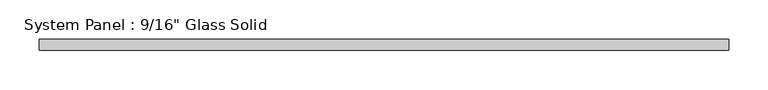
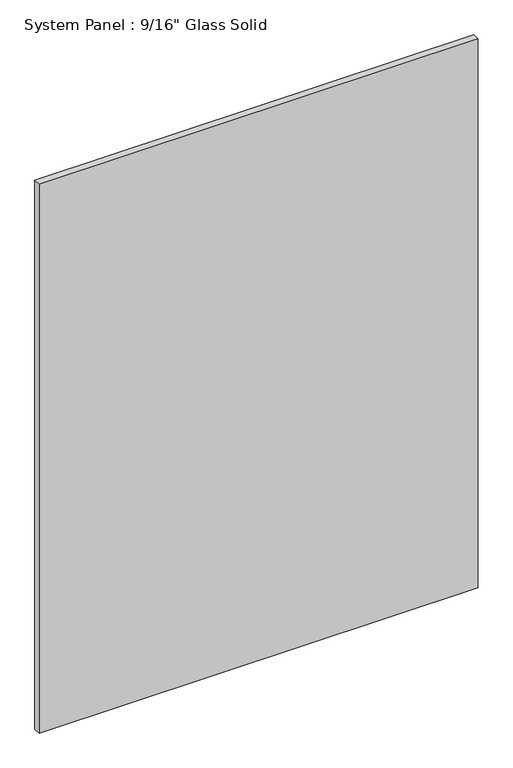
"""IFC4 building model written with IfcOpenShell, lengths in millimetres: plate geometry."""

from ifc_helpers import new_model, si_unit, origin, origin_with_axes, place, context, project, spatial, polyline, outline, extrude, source, transform, mapped, element, save


def plate_c9f3b364(model_context):
    return source(origin(), model_context, "Body", "SweptSolid", [
        extrude(outline(polyline([(440.3180865, -7.14375), (-440.3180865, -7.14375), (-440.3180865, 7.14375), (440.3180865, 7.14375), (440.3180865, -7.14375)])), origin_with_axes(), (0.0, 0.0, 1.0), 1163.2094027),
    ])


if __name__ == "__main__":
    model = new_model("IFC4")
    model_context = context("Model", 3, world=origin())
    ifc_project = project(units=[si_unit("LENGTHUNIT", "METRE", prefix="MILLI")], contexts=[model_context])
    site = spatial("IfcSite", under=ifc_project)
    building = spatial("IfcBuilding", under=site)
    placement = place(None, origin())
    plate_shape = plate_c9f3b364(model_context)
    element("IfcPlate", 1, ObjectType="System Panel : 9/16\" Glass Solid", at=placement, inside=building, context=model_context, shape_type="MappedRepresentation", body=[
        mapped(plate_shape, transform((0.0, 0.0, 0.0), x_axis=(1.0, 0.0, 0.0), y_axis=(0.0, 1.0, 0.0), z_axis=(0.0, 0.0, 1.0))),
    ])
    save(model, "model.ifc")
